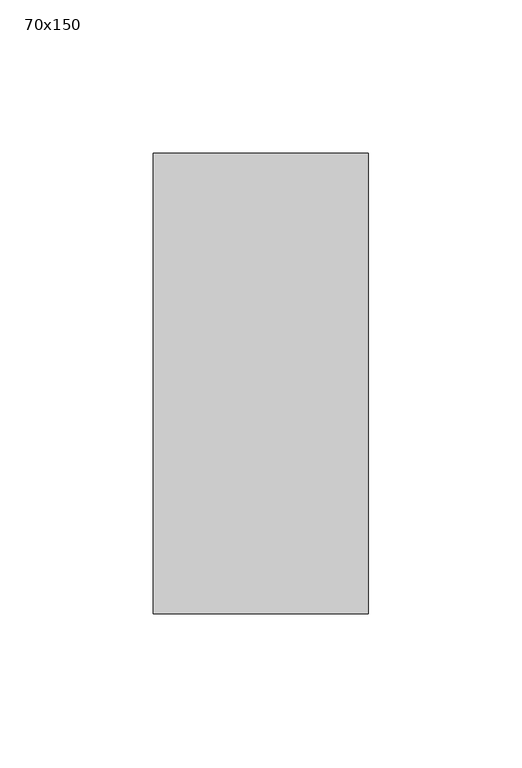
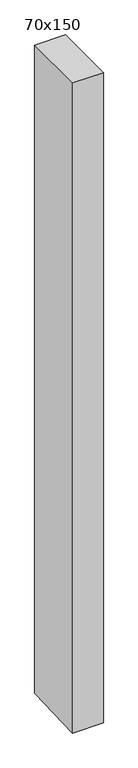
"""IFC4 building model written with IfcOpenShell, lengths in millimetres: member geometry, 70x150."""

from ifc_helpers import new_model, si_unit, frame, origin, place, context, project, spatial, polyline, outline, extrude, source, transform, mapped, element, save


def member_70x150_666b8813(model_context):
    return source(origin(), model_context, "Body", "SweptSolid", [
        extrude(outline(polyline([(-75.0, 0.0), (75.0, 0.0), (75.0, -1562.7028653), (-75.0, -1568.4330524), (-75.0, 0.0)])), frame((-35.0, 0.0, 0.0), z_axis=(1.0, 0.0, 0.0), x_axis=(0.0, 1.0, 0.0)), (0.0, 0.0, 1.0), 70.0),
    ])


if __name__ == "__main__":
    model = new_model("IFC4")
    model_context = context("Model", 3, world=origin())
    ifc_project = project(units=[si_unit("LENGTHUNIT", "METRE", prefix="MILLI")], contexts=[model_context])
    site = spatial("IfcSite", under=ifc_project)
    building = spatial("IfcBuilding", under=site)
    placement = place(None, origin())
    member_70x150_shape = member_70x150_666b8813(model_context)
    element("IfcMember", 1, ObjectType="70x150", at=placement, inside=building, context=model_context, shape_type="MappedRepresentation", body=[
        mapped(member_70x150_shape, transform((0.0, 0.0, 0.0), x_axis=(1.0, 0.0, 0.0), y_axis=(0.0, 1.0, 0.0), z_axis=(0.0, 0.0, 1.0))),
    ])
    save(model, "model.ifc")
